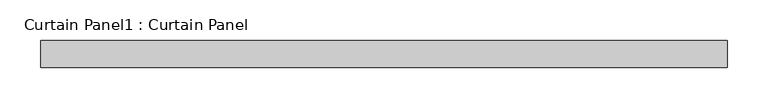
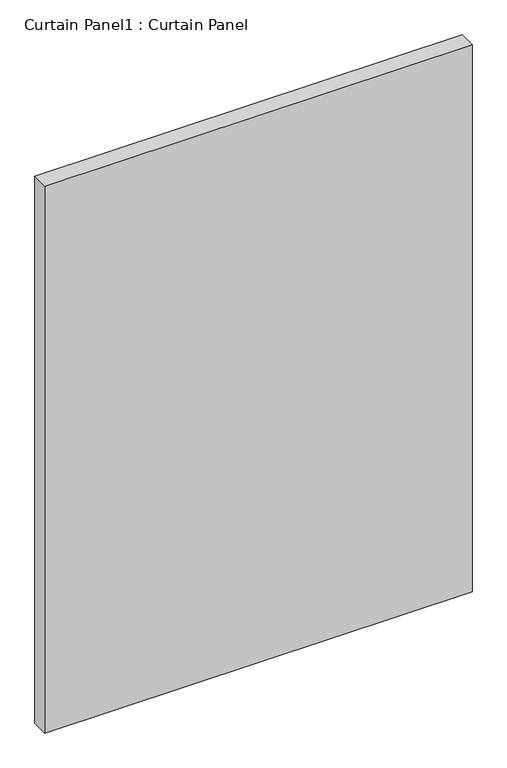
"""IFC4 building model written with IfcOpenShell, lengths in millimetres: plate geometry, Curtain Panel1 : Curtain Panel."""

from ifc_helpers import new_model, si_unit, frame, origin, place, context, project, spatial, polyline, outline, extrude, source, transform, mapped, element, save


def curtain_panel1_curtain_panel_21bebbca(model_context):
    return source(origin(), model_context, "Body", "SweptSolid", [
        extrude(outline(polyline([(-94420.1794568, 89423.4998987), (-95267.3873562, 89423.4998987), (-95267.3873562, 89456.8373987), (-94420.1794568, 89456.8373987), (-94420.1794568, 89423.4998987)])), frame((0.0, 0.0, 2457.45), z_axis=(0.0, 0.0, 1.0), x_axis=(1.0, 0.0, 0.0)), (0.0, 0.0, 1.0), 1146.1205281),
    ])


if __name__ == "__main__":
    model = new_model("IFC4")
    model_context = context("Model", 3, world=origin())
    ifc_project = project(units=[si_unit("LENGTHUNIT", "METRE", prefix="MILLI")], contexts=[model_context])
    site = spatial("IfcSite", under=ifc_project)
    building = spatial("IfcBuilding", under=site)
    placement = place(None, origin())
    curtain_panel1_curtain_panel_shape = curtain_panel1_curtain_panel_21bebbca(model_context)
    element("IfcPlate", 1, ObjectType="Curtain Panel1 : Curtain Panel", at=placement, inside=building, context=model_context, shape_type="MappedRepresentation", body=[
        mapped(curtain_panel1_curtain_panel_shape, transform((0.0, 0.0, 0.0), x_axis=(1.0, 0.0, 0.0), y_axis=(0.0, 1.0, 0.0), z_axis=(0.0, 0.0, 1.0))),
    ])
    save(model, "model.ifc")
